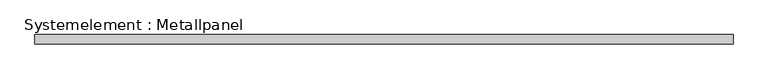
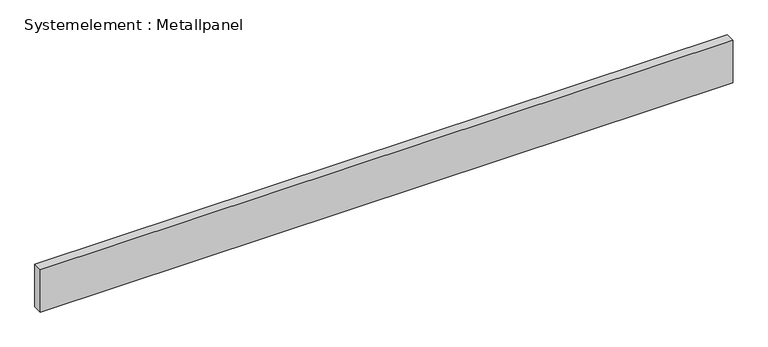
"""IFC4 building model written with IfcOpenShell, lengths in millimetres: plate geometry, Systemelement : Metallpanel."""

from ifc_helpers import new_model, si_unit, origin, origin_with_axes, place, context, project, spatial, polyline, outline, extrude, source, transform, mapped, element, save


def systemelement_metallpanel_2908ab3d(model_context):
    return source(origin(), model_context, "Body", "SweptSolid", [
        extrude(outline(polyline([(1119.9678258, -15.0), (-1119.9678258, -15.0), (-1119.9678258, 15.0), (1119.9678258, 15.0), (1119.9678258, -15.0)])), origin_with_axes(), (0.0, 0.0, 1.0), 145.0),
    ])


if __name__ == "__main__":
    model = new_model("IFC4")
    model_context = context("Model", 3, world=origin())
    ifc_project = project(units=[si_unit("LENGTHUNIT", "METRE", prefix="MILLI")], contexts=[model_context])
    site = spatial("IfcSite", under=ifc_project)
    building = spatial("IfcBuilding", under=site)
    placement = place(None, origin())
    systemelement_metallpanel_shape = systemelement_metallpanel_2908ab3d(model_context)
    element("IfcPlate", 1, ObjectType="Systemelement : Metallpanel", at=placement, inside=building, context=model_context, shape_type="MappedRepresentation", body=[
        mapped(systemelement_metallpanel_shape, transform((0.0, 0.0, 0.0), x_axis=(1.0, 0.0, 0.0), y_axis=(0.0, 1.0, 0.0), z_axis=(0.0, 0.0, 1.0))),
    ])
    save(model, "model.ifc")
